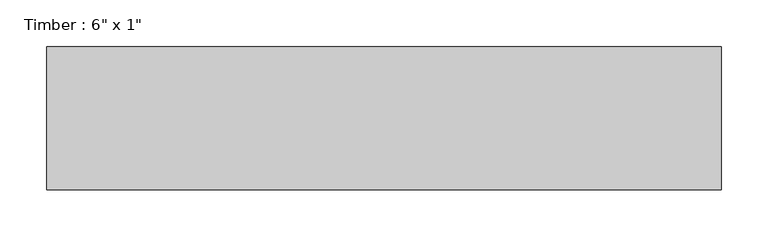
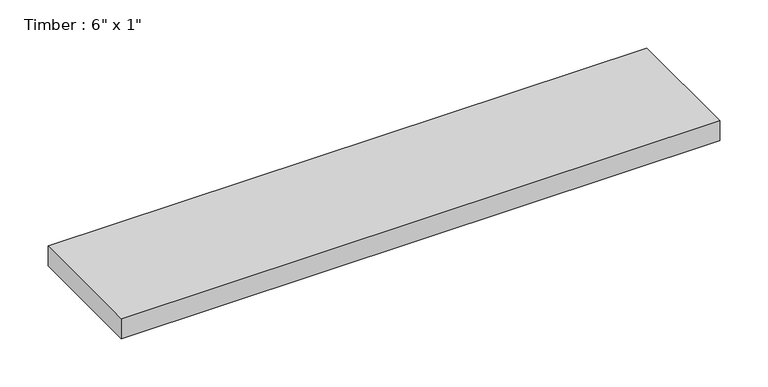
"""IFC4 building model written with IfcOpenShell, lengths in millimetres: beam geometry."""

from ifc_helpers import new_model, si_unit, frame, origin, place, context, project, spatial, polyline, outline, extrude, source, transform, mapped, element, save


def beam_8043b5d7(model_context):
    return source(origin(), model_context, "Body", "SweptSolid", [
        extrude(outline(polyline([(359.4155696, 76.2), (359.4155696, -76.2), (-359.4155696, -76.2), (-359.4155696, 76.2), (359.4155696, 76.2)])), frame((0.0, 0.0, -12.7), z_axis=(0.0, 0.0, 1.0), x_axis=(1.0, 0.0, 0.0)), (0.0, 0.0, 1.0), 25.4),
    ])


if __name__ == "__main__":
    model = new_model("IFC4")
    model_context = context("Model", 3, world=origin())
    ifc_project = project(units=[si_unit("LENGTHUNIT", "METRE", prefix="MILLI")], contexts=[model_context])
    site = spatial("IfcSite", under=ifc_project)
    building = spatial("IfcBuilding", under=site)
    placement = place(None, origin())
    beam_shape = beam_8043b5d7(model_context)
    element("IfcBeam", 1, ObjectType="Timber : 6\" x 1\"", at=placement, inside=building, context=model_context, shape_type="MappedRepresentation", body=[
        mapped(beam_shape, transform((0.0, 0.0, 0.0), x_axis=(1.0, 0.0, 0.0), y_axis=(0.0, 1.0, 0.0), z_axis=(0.0, 0.0, 1.0))),
    ])
    save(model, "model.ifc")
